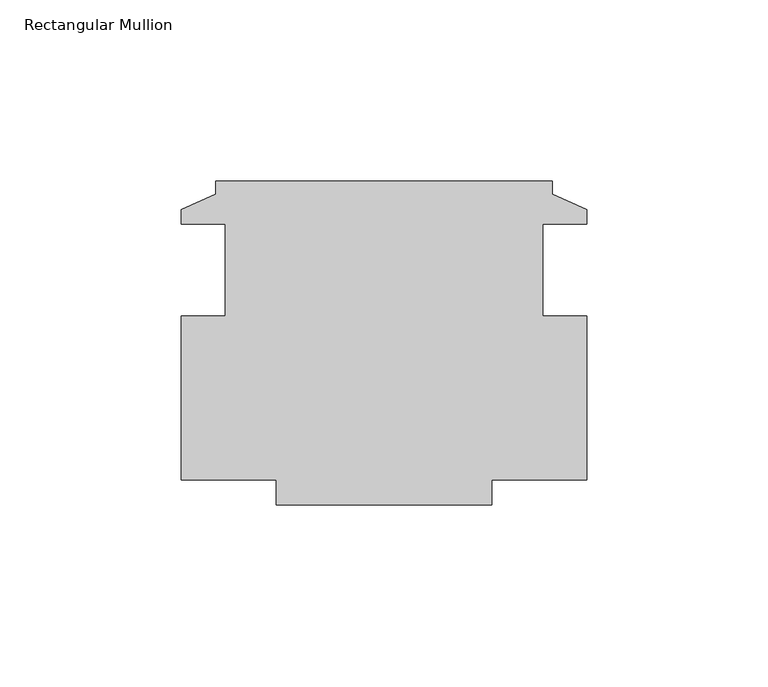
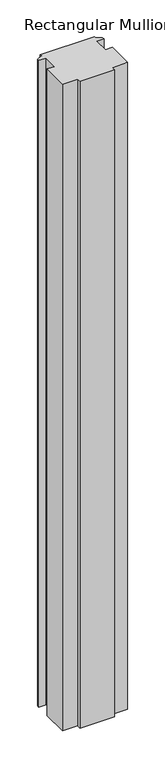
"""IFC4 building model written with IfcOpenShell, lengths in millimetres: member geometry, Rectangular Mullion."""

from ifc_helpers import new_model, si_unit, frame, origin, place, context, project, spatial, polyline, outline, extrude, source, transform, mapped, element, save


def rectangular_mullion_87247472(model_context):
    return source(origin(), model_context, "Body", "SweptSolid", [
        extrude(outline(polyline([(46.4312004, 42.9943626), (46.4312004, 39.3875626), (55.9562004, 35.0695626), (55.9562004, 31.1579626), (43.7388004, 31.1579626), (43.7388004, 5.7579626), (55.9562004, 5.7579626), (55.9562004, -39.5556374), (29.6672004, -39.5556374), (29.6672004, -46.4644374), (-29.6671996, -46.4644374), (-29.6671996, -39.5556374), (-55.9561996, -39.5556374), (-55.9561996, 5.7579626), (-43.7387996, 5.7579626), (-43.7387996, 31.1579626), (-55.9561996, 31.1579626), (-55.9561996, 35.0695626), (-46.4311996, 39.3875626), (-46.4311996, 42.9943626), (46.4312004, 42.9943626)])), frame((0.0, 0.0, -1173.6564999), z_axis=(0.0, 0.0, 1.0), x_axis=(1.0, 0.0, 0.0)), (0.0, 0.0, 1.0), 1173.6564999),
    ])


if __name__ == "__main__":
    model = new_model("IFC4")
    model_context = context("Model", 3, world=origin())
    ifc_project = project(units=[si_unit("LENGTHUNIT", "METRE", prefix="MILLI")], contexts=[model_context])
    site = spatial("IfcSite", under=ifc_project)
    building = spatial("IfcBuilding", under=site)
    placement = place(None, origin())
    rectangular_mullion_shape = rectangular_mullion_87247472(model_context)
    element("IfcMember", 1, ObjectType="Rectangular Mullion", at=placement, inside=building, context=model_context, shape_type="MappedRepresentation", body=[
        mapped(rectangular_mullion_shape, transform((0.0, 0.0, 0.0), x_axis=(1.0, 0.0, 0.0), y_axis=(0.0, 1.0, 0.0), z_axis=(0.0, 0.0, 1.0))),
    ])
    save(model, "model.ifc")
